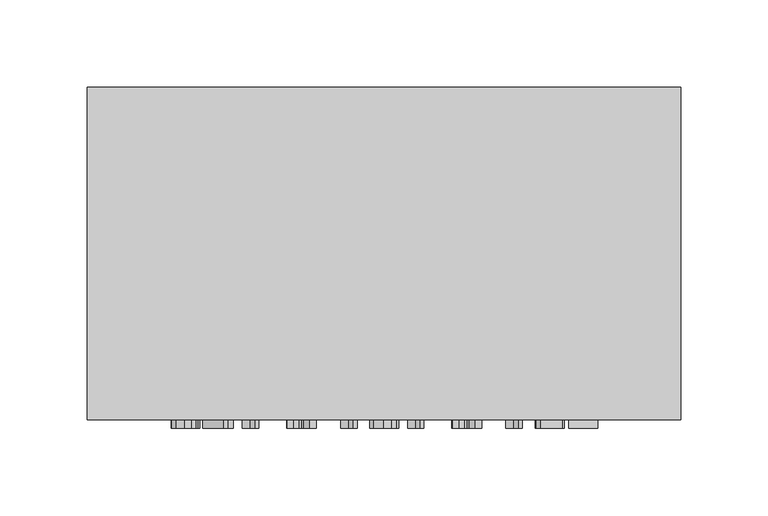
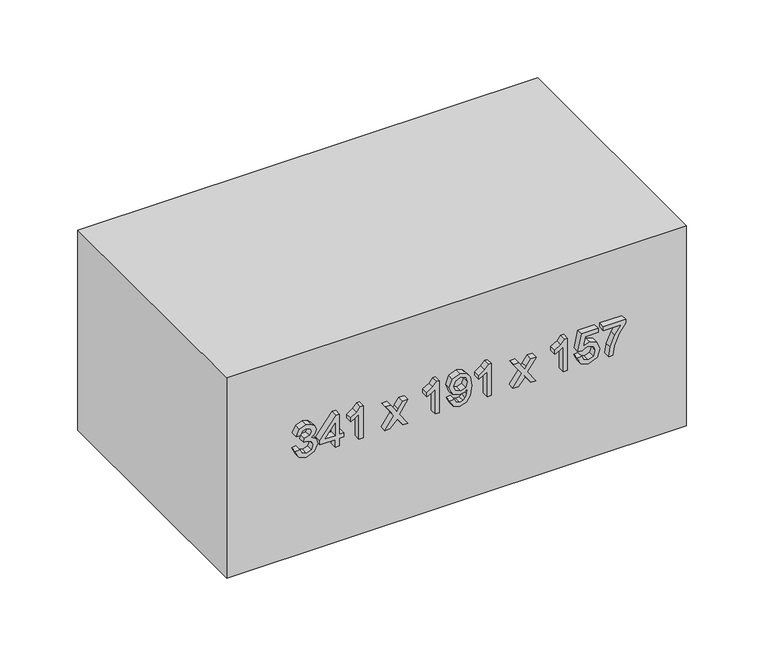
"""IFC4 building model written with IfcOpenShell, lengths in millimetres: furniture geometry."""

from ifc_helpers import new_model, si_unit, frame, origin, origin_with_axes, place, context, project, spatial, polyline, outline, extrude, source, transform, mapped, element, save


def furniture_1200d0b1(model_context):
    return source(origin(), model_context, "Body", "SweptSolid", [
        extrude(outline(polyline([(85.1709268, -77.5345978), (80.0757612, -75.0391316), (78.1075925, -69.5331644), (80.4129864, -63.4569801), (86.0293182, -61.0534844), (90.1128083, -62.2552323), (92.2587866, -65.6765349), (94.3373199, -63.1013609), (97.2313249, -62.2307068), (100.3981758, -63.1473461), (102.7526205, -65.7960965), (103.6140775, -69.5822154), (101.8666381, -74.5731478), (96.9431507, -77.1421904), (96.5507432, -74.0029307), (99.4937992, -72.4639577), (100.4748178, -69.4718508), (99.5029962, -66.5165321), (97.0473839, -65.3699665), (94.2760062, -66.9518591), (93.4114835, -71.0169551), (90.2722238, -71.366443), (90.6155804, -69.1652824), (89.3310591, -65.5968271), (86.0845005, -64.1927441), (82.6386724, -65.6090898), (81.2468522, -69.4227998), (82.2585277, -72.6632271), (85.5633343, -74.3953381), (85.1709268, -77.5345978)])), frame((0.0, -196.0, 0.0), z_axis=(0.0, 1.0, 0.0), x_axis=(0.0, 0.0, 1.0)), (0.0, 0.0, 1.0), 5.0),
        extrude(outline(polyline([(78.5, -48.1040382), (78.5, -44.9647785), (84.3861119, -44.9647785), (84.3861119, -41.8255188), (87.5253716, -41.8255188), (87.5253716, -44.9647785), (103.2216701, -44.9647785), (103.2216701, -47.3192233), (87.5253716, -59.4838546), (84.3861119, -59.4838546), (84.3861119, -48.1040382), (78.5, -48.1040382)]), holes=[polyline([(87.5253716, -48.1040382), (87.5253716, -55.6210937), (97.2251936, -48.1040382), (87.5253716, -48.1040382)])]), frame((0.0, -196.0, 0.0), z_axis=(0.0, 1.0, 0.0), x_axis=(0.0, 0.0, 1.0)), (0.0, 0.0, 1.0), 5.0),
        extrude(outline(polyline([(78.5, -27.3064428), (103.6140775, -27.3064428), (103.6140775, -29.3297937), (100.2724827, -32.1226312), (97.3355582, -36.7242218), (94.3679767, -36.7242218), (95.952935, -33.4194152), (98.0713221, -30.4457024), (78.5, -30.4457024), (78.5, -27.3064428)])), frame((0.0, -196.0, 0.0), z_axis=(0.0, 1.0, 0.0), x_axis=(0.0, 0.0, 1.0)), (0.0, 0.0, 1.0), 5.0),
        extrude(outline(polyline([(78.5, -11.2177368), (78.5, -7.440815), (84.0734122, -1.9655047), (78.5, 1.8788622), (78.5, 5.655784), (87.7706263, -0.7331), (96.9431507, 5.9010387), (96.9431507, 2.1241169), (92.148422, -1.3462366), (90.4439021, -2.5786413), (92.5285667, -4.0011184), (96.9431507, -7.0484076), (96.9431507, -10.8253294), (87.7706263, -4.5100218), (78.5, -11.2177368)])), frame((0.0, -196.0, 0.0), z_axis=(0.0, 1.0, 0.0), x_axis=(0.0, 0.0, 1.0)), (0.0, 0.0, 1.0), 5.0),
        extrude(outline(polyline([(78.5, 29.2002317), (103.6140775, 29.2002317), (103.6140775, 27.1768807), (100.2724827, 24.3840433), (97.3355582, 19.7824526), (94.3679767, 19.7824526), (95.952935, 23.0872592), (98.0713221, 26.060972), (78.5, 26.060972), (78.5, 29.2002317)])), frame((0.0, -196.0, 0.0), z_axis=(0.0, 1.0, 0.0), x_axis=(0.0, 0.0, 1.0)), (0.0, 0.0, 1.0), 5.0),
        extrude(outline(polyline([(84.7785194, 37.0483809), (79.8580977, 39.2985925), (78.1075925, 44.123978), (79.5913833, 48.9708233), (83.910931, 52.0886232), (91.5352854, 53.1370869), (98.5618315, 52.0855575), (102.3019651, 49.0076115), (103.6140775, 44.5347795), (101.3148151, 38.9031193), (95.2447621, 36.6559735), (89.3647816, 38.7988861), (87.1329642, 44.0442702), (88.0465378, 47.4870325), (89.8123714, 50.0162213), (86.1703396, 49.5625001), (83.4418815, 48.5354962), (81.8446605, 46.8125822), (81.2468522, 44.2711308), (82.1757543, 41.5978549), (85.1709268, 40.1876406), (84.7785194, 37.0483809)]), holes=[polyline([(95.3183385, 49.9978272), (91.6119274, 48.5784158), (90.2722238, 44.9578438), (91.6119274, 41.1870534), (95.091478, 39.7952332), (98.9756987, 41.2667611), (100.4748178, 45.043683), (99.0829976, 48.6427951), (95.3183385, 49.9978272)])]), frame((0.0, -196.0, 0.0), z_axis=(0.0, 1.0, 0.0), x_axis=(0.0, 0.0, 1.0)), (0.0, 0.0, 1.0), 5.0),
        extrude(outline(polyline([(78.5, 67.6561629), (103.6140775, 67.6561629), (103.6140775, 65.632812), (100.2724827, 62.8399745), (97.3355582, 58.2383839), (94.3679767, 58.2383839), (95.952935, 61.5431904), (98.0713221, 64.5169032), (78.5, 64.5169032), (78.5, 67.6561629)])), frame((0.0, -196.0, 0.0), z_axis=(0.0, 1.0, 0.0), x_axis=(0.0, 0.0, 1.0)), (0.0, 0.0, 1.0), 5.0),
        extrude(outline(polyline([(78.5, 83.7448689), (78.5, 87.5217907), (84.0734122, 92.997101), (78.5, 96.8414679), (78.5, 100.6183897), (87.7706263, 94.2295057), (96.9431507, 100.8636444), (96.9431507, 97.0867225), (92.148422, 93.6163691), (90.4439021, 92.3839644), (92.5285667, 90.9614873), (96.9431507, 87.9141981), (96.9431507, 84.1372763), (87.7706263, 90.4525839), (78.5, 83.7448689)])), frame((0.0, -196.0, 0.0), z_axis=(0.0, 1.0, 0.0), x_axis=(0.0, 0.0, 1.0)), (0.0, 0.0, 1.0), 5.0),
        extrude(outline(polyline([(78.5, 124.1628374), (103.6140775, 124.1628374), (103.6140775, 122.1394864), (100.2724827, 119.3466489), (97.3355582, 114.7450583), (94.3679767, 114.7450583), (95.952935, 118.0498649), (98.0713221, 121.0235777), (78.5, 121.0235777), (78.5, 124.1628374)])), frame((0.0, -196.0, 0.0), z_axis=(0.0, 1.0, 0.0), x_axis=(0.0, 0.0, 1.0)), (0.0, 0.0, 1.0), 5.0),
        extrude(outline(polyline([(85.1709268, 131.6185792), (80.0420387, 134.0680601), (78.1075925, 139.6077498), (81.1180935, 146.1315239), (86.9428918, 148.0996925), (92.7309018, 145.9138604), (94.9811134, 140.5458489), (93.1662289, 135.9534553), (100.0824104, 137.2962246), (100.0824104, 146.9224702), (103.2216701, 146.9224702), (103.2216701, 134.7578389), (90.2722238, 132.0109866), (89.8798164, 135.1502463), (91.2961621, 136.9130142), (91.8418537, 139.6690635), (90.4745589, 143.6452547), (86.7466881, 144.9604329), (82.7521027, 143.5563499), (81.2468522, 139.6200126), (82.3290384, 136.3397314), (85.5633343, 134.7578389), (85.1709268, 131.6185792)])), frame((0.0, -196.0, 0.0), z_axis=(0.0, 1.0, 0.0), x_axis=(0.0, 0.0, 1.0)), (0.0, 0.0, 1.0), 5.0),
        extrude(outline(polyline([(100.0824104, 150.8465448), (100.0824104, 164.1883985), (93.5862275, 159.4427207), (85.5817284, 156.0183525), (78.5, 154.7706194), (78.5, 157.9098791), (85.324211, 159.0748387), (93.929584, 162.6524911), (100.6832843, 167.3276582), (103.2216701, 167.3276582), (103.2216701, 150.8465448), (100.0824104, 150.8465448)])), frame((0.0, -196.0, 0.0), z_axis=(0.0, 1.0, 0.0), x_axis=(0.0, 0.0, 1.0)), (0.0, 0.0, 1.0), 5.0),
        extrude(outline(polyline([(215.2003264, 0.0), (215.2003264, -191.0), (-125.7996736, -191.0), (-125.7996736, 0.0), (215.2003264, 0.0)])), origin_with_axes(), (0.0, 0.0, 1.0), 157.0),
    ])


if __name__ == "__main__":
    model = new_model("IFC4")
    model_context = context("Model", 3, world=origin())
    ifc_project = project(units=[si_unit("LENGTHUNIT", "METRE", prefix="MILLI")], contexts=[model_context])
    site = spatial("IfcSite", under=ifc_project)
    building = spatial("IfcBuilding", under=site)
    placement = place(None, origin())
    furniture_shape = furniture_1200d0b1(model_context)
    element("IfcFurniture", 1, at=placement, inside=building, context=model_context, shape_type="MappedRepresentation", body=[
        mapped(furniture_shape, transform((0.0, 0.0, 0.0), x_axis=(1.0, 0.0, 0.0), y_axis=(0.0, 1.0, 0.0), z_axis=(0.0, 0.0, 1.0))),
    ])
    save(model, "model.ifc")
